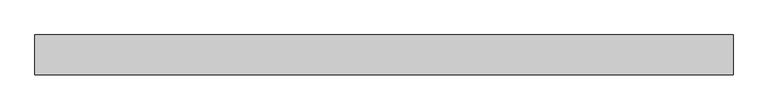
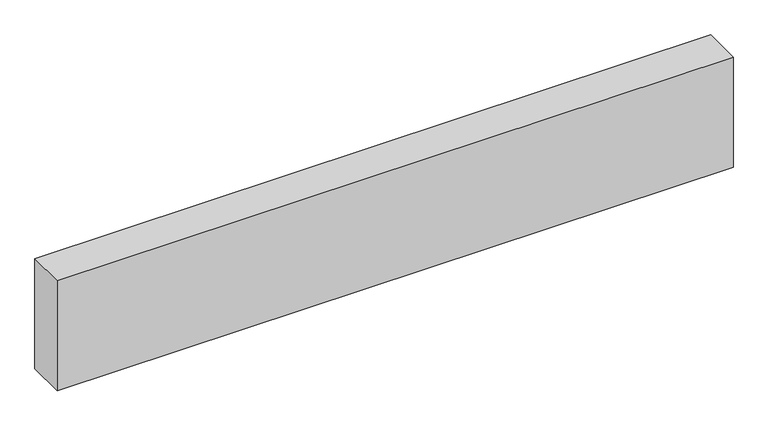
"""IFC4 building model written with IfcOpenShell, lengths in millimetres: proxy geometry."""

from ifc_helpers import new_model, si_unit, origin, origin_with_axes, place, context, project, spatial, polyline, outline, extrude, source, transform, mapped, element, save


def generic_models_1dce0b28(model_context):
    return source(origin(), model_context, "Body", "SweptSolid", [
        extrude(outline(polyline([(1743.9178764, 0.0), (1743.9178764, -100.0), (0.0, -100.0), (0.0, 0.0), (1743.9178764, 0.0)])), origin_with_axes(), (0.0, 0.0, 1.0), 300.0),
    ])


if __name__ == "__main__":
    model = new_model("IFC4")
    model_context = context("Model", 3, world=origin())
    ifc_project = project(units=[si_unit("LENGTHUNIT", "METRE", prefix="MILLI")], contexts=[model_context])
    site = spatial("IfcSite", under=ifc_project)
    building = spatial("IfcBuilding", under=site)
    placement = place(None, origin())
    generic_models_shape = generic_models_1dce0b28(model_context)
    element("IfcBuildingElementProxy", 1, Name="Generic Models", at=placement, inside=building, context=model_context, shape_type="MappedRepresentation", body=[
        mapped(generic_models_shape, transform((0.0, 0.0, 0.0), x_axis=(1.0, 0.0, 0.0), y_axis=(0.0, 1.0, 0.0), z_axis=(0.0, 0.0, 1.0))),
    ])
    save(model, "model.ifc")
